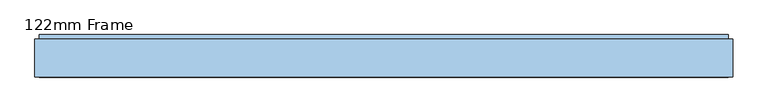
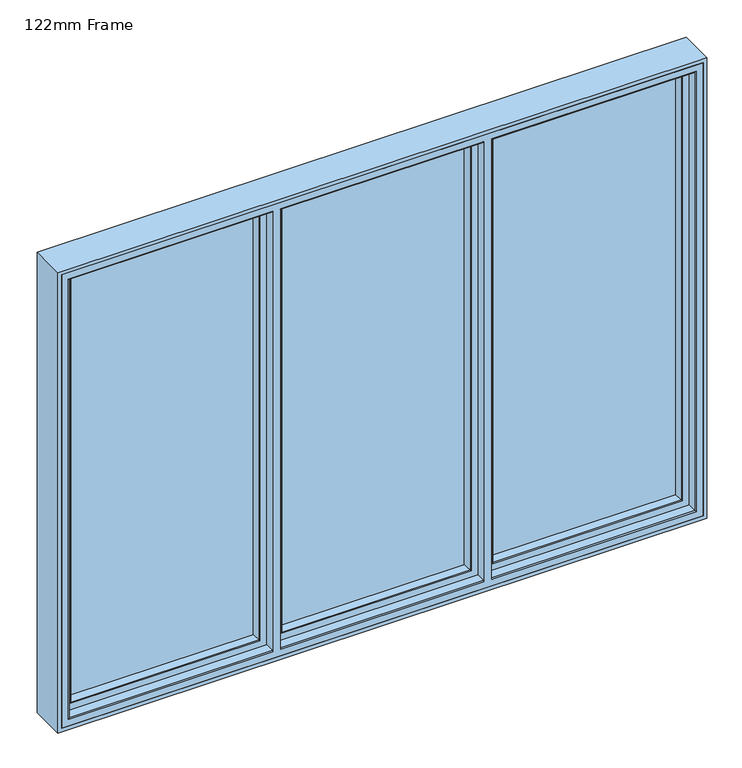
"""IFC4 building model written with IfcOpenShell, lengths in millimetres: window geometry, 122mm Frame."""

import ifcopenshell
import ifcopenshell.guid

model = None  # the IFC model being written
_history = None  # IfcOwnerHistory: only IFC2X3 demands one
_inside = {}  # id of a spatial element -> (the spatial element, [elements in it])
_under = {}  # id of a project, library or spatial element -> (it, [spatial elements below it])
_declared = {}  # id of a project -> (the project, [libraries it declares])
_typed = {}  # id of a type object -> (the type object, [elements of that type])
_made_of = {}  # id of a material, layer set ... -> (it, [elements and type objects made of it])


def new_model(schema):
    """Start an empty IFC model of exactly this schema.

    Asked for "IFC4X3", IfcOpenShell would pick the latest addendum, in which some entities
    have other attributes; the version numbers below select the first issue.
    IFC2X3 requires an IfcOwnerHistory on every rooted entity: one is made here for all.
    """
    global model, _history
    if schema == "IFC4X3":
        model = ifcopenshell.file(schema_version=(4, 3, 0, 0))
    else:
        model = ifcopenshell.file(schema=schema)
    _inside.clear()
    _under.clear()
    _declared.clear()
    _typed.clear()
    _made_of.clear()
    _history = None
    if model.schema == "IFC2X3":
        org = make("IfcOrganization", Name="unknown")
        user = make(
            "IfcPersonAndOrganization",
            ThePerson=make("IfcPerson", FamilyName="unknown"),
            TheOrganization=org,
        )
        app = make(
            "IfcApplication",
            ApplicationDeveloper=org,
            Version="unknown",
            ApplicationFullName="unknown",
            ApplicationIdentifier="unknown",
        )
        _history = make(
            "IfcOwnerHistory",
            OwningUser=user,
            OwningApplication=app,
            ChangeAction="ADDED",
            CreationDate=0,
        )
    return model


def make(cls, **values):
    """One entity of the class cls with the attributes given. An attribute that is None is left unset."""
    return model.create_entity(
        cls, **{name: value for name, value in values.items() if value is not None}
    )


def rooted(cls, **values):
    """An entity with a GlobalId (a new one), such as an element, a storey or a relation."""
    return make(cls, GlobalId=ifcopenshell.guid.new(), OwnerHistory=_history, **values)


def si_unit(unit_type, name, prefix=None):
    """IfcSIUnit, for example si_unit("LENGTHUNIT", "METRE", prefix="MILLI")."""
    return make("IfcSIUnit", UnitType=unit_type, Prefix=prefix, Name=name)


def assignment(units):
    """IfcUnitAssignment: the units of a project."""
    return None if units is None else make("IfcUnitAssignment", Units=units)


def point(xyz):
    """IfcCartesianPoint."""
    return None if xyz is None else make("IfcCartesianPoint", Coordinates=xyz)


def direction(xyz):
    """IfcDirection."""
    return None if xyz is None else make("IfcDirection", DirectionRatios=xyz)


def frame(location, z_axis=None, x_axis=None):
    """IfcAxis2Placement3D, a coordinate frame: its origin and axes. An axis left out is left unset."""
    return make(
        "IfcAxis2Placement3D",
        Location=point(location),
        Axis=direction(z_axis),
        RefDirection=direction(x_axis),
    )


def origin():
    """The frame at (0, 0, 0) with its axes left unset."""
    return frame((0.0, 0.0, 0.0))


def place(relative_to, where):
    """IfcLocalPlacement: puts the frame where relative to a parent placement (None: the world)."""
    return make(
        "IfcLocalPlacement", PlacementRelTo=relative_to, RelativePlacement=where
    )


def context(
    kind, dimensions, precision=None, world=None, true_north=None, identifier=None
):
    """IfcGeometricRepresentationContext, for example the 3D "Model" context."""
    return make(
        "IfcGeometricRepresentationContext",
        ContextIdentifier=identifier,
        ContextType=kind,
        CoordinateSpaceDimension=dimensions,
        Precision=precision,
        WorldCoordinateSystem=world,
        TrueNorth=true_north,
    )


def project(units=None, contexts=None):
    """IfcProject with its units and contexts."""
    return rooted(
        "IfcProject",
        Name="project",
        RepresentationContexts=contexts,
        UnitsInContext=assignment(units),
    )


def spatial(cls, under=None, at=None, **own):
    """A site, building, storey or space (cls), placed at a placement, below another one or the project."""
    s = rooted(cls, ObjectPlacement=at, **own)
    if under is not None:
        _under.setdefault(under.id(), (under, []))[1].append(s)
    return s


def polyline(points):
    """IfcPolyline through the points."""
    return make("IfcPolyline", Points=[point(p) for p in points])


def circle_curve(where, radius):
    """IfcCircle in the frame where."""
    return make("IfcCircle", Position=where, Radius=radius)


def ellipse_curve(where, semi_axis1, semi_axis2):
    """IfcEllipse in the frame where."""
    return make(
        "IfcEllipse", Position=where, SemiAxis1=semi_axis1, SemiAxis2=semi_axis2
    )


def outline(outer, holes=None, kind="AREA"):
    """IfcArbitraryClosedProfileDef: a profile drawn as a closed curve; with holes, ...WithVoids."""
    if holes is None:
        return make("IfcArbitraryClosedProfileDef", ProfileType=kind, OuterCurve=outer)
    return make(
        "IfcArbitraryProfileDefWithVoids",
        ProfileType=kind,
        OuterCurve=outer,
        InnerCurves=holes,
    )


def extrude(swept, where, along, depth):
    """IfcExtrudedAreaSolid: the profile swept, set in the frame where, extruded along a direction by depth."""
    return make(
        "IfcExtrudedAreaSolid",
        SweptArea=swept,
        Position=where,
        ExtrudedDirection=direction(along),
        Depth=depth,
    )


def shape(context_of_items, identifier, shape_type, items):
    """IfcShapeRepresentation: the items that make up one representation, for example the "Body"."""
    return make(
        "IfcShapeRepresentation",
        ContextOfItems=context_of_items,
        RepresentationIdentifier=identifier,
        RepresentationType=shape_type,
        Items=items,
    )


def source(mapping_origin, context_of_items, identifier, shape_type, items):
    """IfcRepresentationMap: a shape defined once, which mapped items show again and again."""
    return make(
        "IfcRepresentationMap",
        MappingOrigin=mapping_origin,
        MappedRepresentation=shape(context_of_items, identifier, shape_type, items),
    )


def transform(
    local_origin,
    x_axis=None,
    y_axis=None,
    z_axis=None,
    scale=None,
    scale2=None,
    scale3=None,
    uniform=True,
):
    """IfcCartesianTransformationOperator3D, or its non-uniform kind. x_axis, y_axis, z_axis: its Axis1, 2, 3."""
    if uniform:
        return make(
            "IfcCartesianTransformationOperator3D",
            Axis1=direction(x_axis),
            Axis2=direction(y_axis),
            LocalOrigin=point(local_origin),
            Scale=scale,
            Axis3=direction(z_axis),
        )
    return make(
        "IfcCartesianTransformationOperator3DnonUniform",
        Axis1=direction(x_axis),
        Axis2=direction(y_axis),
        LocalOrigin=point(local_origin),
        Scale=scale,
        Axis3=direction(z_axis),
        Scale2=scale2,
        Scale3=scale3,
    )


def mapped(mapping_source, mapping_target):
    """IfcMappedItem: shows the shape of a source again, moved by a transform."""
    return make(
        "IfcMappedItem", MappingSource=mapping_source, MappingTarget=mapping_target
    )


def made_of(thing, what):
    """Note that an element or type object is made of a material, layer set ...; save() writes the relation."""
    if what is not None:
        _made_of.setdefault(what.id(), (what, []))[1].append(thing)
    return thing


def element(
    cls,
    number,
    at=None,
    inside=None,
    cuts=None,
    type_object=None,
    material=None,
    context=None,
    identifier="Body",
    shape_type=None,
    held_by="IfcProductDefinitionShape",
    body=None,
    shapes=None,
    **own,
):
    """One element of the class cls, such as IfcWall. Its Tag is "e" and its number.

    at: its placement. inside: the storey or other place that contains it. cuts: it is an
    opening in that element (IfcRelVoidsElement). A single representation is given by context,
    identifier, shape_type and body (its items); several are given by shapes. held_by: the class
    of the entity that holds the representations. save() writes the other relations.
    """
    e = rooted(cls, Tag="e%d" % number, ObjectPlacement=at, **own)
    if body is not None:
        shapes = [shape(context, identifier, shape_type, body)]
    if shapes is not None:
        e.Representation = make(held_by, Representations=shapes)
    if inside is not None:
        _inside.setdefault(inside.id(), (inside, []))[1].append(e)
    if cuts is not None:
        rooted(
            "IfcRelVoidsElement", RelatingBuildingElement=cuts, RelatedOpeningElement=e
        )
    if type_object is not None:
        _typed.setdefault(type_object.id(), (type_object, []))[1].append(e)
    return made_of(e, material)


def aggregate(whole, parts):
    """IfcRelAggregates: a whole, such as a stair, and the parts it consists of."""
    return rooted("IfcRelAggregates", RelatingObject=whole, RelatedObjects=parts)


def save(model, path):
    """Write the relations noted so far, then the file.

    IfcRelAggregates (storeys below a building ...), IfcRelContainedInSpatialStructure (elements
    in a storey), IfcRelDefinesByType, IfcRelAssociatesMaterial and IfcRelDeclares: one each for
    every whole, place, type object, material and project.
    """
    for whole, parts in _under.values():
        aggregate(whole, parts)
    for where, things in _inside.values():
        rooted(
            "IfcRelContainedInSpatialStructure",
            RelatedElements=things,
            RelatingStructure=where,
        )
    for kind, things in _typed.values():
        rooted("IfcRelDefinesByType", RelatedObjects=things, RelatingType=kind)
    for what, things in _made_of.values():
        rooted("IfcRelAssociatesMaterial", RelatedObjects=things, RelatingMaterial=what)
    for by, libraries in _declared.values():
        rooted("IfcRelDeclares", RelatingContext=by, RelatedDefinitions=libraries)
    model.write(path)


def plane_surface(at):
    """IfcPlane: the flat surface through the origin of the frame at, square to its z axis."""
    return make("IfcPlane", Position=at)


def cylinder_surface(at, radius):
    """IfcCylindricalSurface: all points at the distance radius from the z axis of the frame at."""
    return make("IfcCylindricalSurface", Position=at, Radius=radius)


def advanced_brep(points, edges, surfaces, faces):
    """IfcAdvancedBrep: a solid bounded by faces that lie on surfaces and meet in shared edges.

    An edge is (start, end): straight between two places in points (the first is 0);
    or (start, end, curve); or (start, end, curve, False) where it runs against its curve.
    A face is (place in surfaces, loops), or (place, loops, False) where it looks against
    its surface's normal. A loop lists edges by number (the first is 1), with a minus sign
    where the edge is run from its end to its start. The first loop is the outer one.
    """
    corners = [point(p) for p in points]
    vertices = [make("IfcVertexPoint", VertexGeometry=c) for c in corners]
    made = []
    for start, end, *more in edges:
        made.append(
            make(
                "IfcEdgeCurve",
                EdgeStart=vertices[start],
                EdgeEnd=vertices[end],
                EdgeGeometry=more[0] if more else make("IfcPolyline", Points=[corners[start], corners[end]]),
                SameSense=more[1] if len(more) > 1 else True,
            )
        )
    hull = []
    for where, loops, *sense in faces:
        bounds = []
        for j, loop in enumerate(loops):
            ring = [make("IfcOrientedEdge", EdgeElement=made[abs(k) - 1], Orientation=k > 0) for k in loop]
            bounds.append(
                make(
                    "IfcFaceOuterBound" if j == 0 else "IfcFaceBound",
                    Bound=make("IfcEdgeLoop", EdgeList=ring),
                    Orientation=True,
                )
            )
        hull.append(make("IfcAdvancedFace", Bounds=bounds, FaceSurface=surfaces[where], SameSense=sense[0] if sense else True))
    return make("IfcAdvancedBrep", Outer=make("IfcClosedShell", CfsFaces=hull))


def window_122mm_frame_de83305a(model_context):
    return source(origin(), model_context, "Body", "SolidModel", [
        extrude(outline(polyline([(-301.0, 141.0), (301.0, 141.0), (301.0, 93.0), (-301.0, 93.0), (-301.0, 141.0)])), frame((0.0, 0.0, 847.4), z_axis=(0.0, 0.0, 1.0), x_axis=(1.0, 0.0, 0.0)), (0.0, 0.0, 1.0), 1405.2),
        advanced_brep(
        [(290.1078547, 66.2562613, 2240.9078547), (287.0697056, 91.0, 2237.8697056), (287.0697056, 91.0, 862.1302944), (290.1078547, 66.2562613, 859.0921453), (310.7, 91.0, 838.5), (-310.7, 91.0, 838.5), (-310.7, 91.0, 2261.5), (310.7, 91.0, 2261.5), (-287.0697056, 91.0, 2237.8697056), (-287.0697056, 91.0, 862.1302944), (-290.1078547, 66.2562613, 859.0921453), (292.092947, 64.5, 2242.892947), (292.092947, 64.5, 857.107053), (310.7, 82.0, 2261.5), (310.7, 82.0, 838.5), (313.2, 82.0, 836.0), (-313.2, 82.0, 836.0), (-313.2, 82.0, 2264.0), (313.2, 82.0, 2264.0), (-310.7, 82.0, 2261.5), (-310.7, 82.0, 838.5), (313.2, 64.5, 2264.0), (313.2, 64.5, 836.0), (-313.2, 64.5, 2264.0), (-313.2, 64.5, 836.0), (-292.092947, 64.5, 857.107053), (-292.092947, 64.5, 2242.892947), (-290.1078547, 66.2562613, 2240.9078547)],
        [
            (0, 1),
            (1, 2),
            (2, 3),
            (3, 0),
            (4, 5),
            (5, 6),
            (6, 7),
            (7, 4),
            (1, 8),
            (8, 9),
            (9, 2),
            (9, 10),
            (10, 3),
            (11, 0, ellipse_curve(frame((292.092947, 66.5, 2242.892947), z_axis=(0.7071067811865474, 0.0, -0.7071067811865476), x_axis=(0.7071067811865475, 0.0, 0.7071067811865475)), 2.8284271, 2.0)),
            (3, 12, ellipse_curve(frame((292.092947, 66.5, 857.107053), z_axis=(0.7071067811865476, 0.0, 0.7071067811865474), x_axis=(-0.7071067811865472, 0.0, 0.7071067811865478)), 2.8284271, 2.0)),
            (12, 11),
            (7, 13),
            (13, 14),
            (14, 4),
            (15, 16),
            (16, 17),
            (17, 18),
            (18, 15),
            (13, 19),
            (19, 20),
            (20, 14),
            (20, 5),
            (18, 21),
            (21, 22),
            (22, 15),
            (21, 23),
            (23, 24),
            (24, 22),
            (12, 25),
            (25, 26),
            (26, 11),
            (24, 16),
            (10, 25, ellipse_curve(frame((-292.092947, 66.5, 857.107053), z_axis=(0.7071067811865474, 0.0, -0.7071067811865476), x_axis=(0.7071067811865478, 0.0, 0.7071067811865472)), 2.8284271, 2.0)),
            (8, 27),
            (27, 10),
            (19, 6),
            (23, 17),
            (27, 26, ellipse_curve(frame((-292.092947, 66.5, 2242.892947), z_axis=(-0.7071067811865476, 0.0, -0.7071067811865474), x_axis=(0.7071067811865474, 0.0, -0.7071067811865477)), 2.8284271, 2.0)),
            (0, 27),
        ],
        [
            plane_surface(frame((287.0697056, 91.0, 2237.8697056), z_axis=(-0.9925461516413219, -0.12186934340514886, 0.0), x_axis=(0.0, 0.0, -1.0))),
            plane_surface(frame((-310.7, 91.0, 2261.5), z_axis=(0.0, 1.0, 0.0), x_axis=(1.0, 0.0, 0.0))),
            plane_surface(frame((287.0697056, 91.0, 862.1302944), z_axis=(0.0, -0.12186934340514886, 0.9925461516413219), x_axis=(-1.0, 0.0, 0.0))),
            cylinder_surface(frame((292.092947, 66.5, 2237.6), z_axis=(0.0, 0.0, 1.0), x_axis=(0.0, 1.0, 0.0)), 2.0),
            plane_surface(frame((310.7, 82.0, 2261.5), z_axis=(1.0, 0.0, 0.0), x_axis=(0.0, 0.0, -1.0))),
            plane_surface(frame((-313.2, 82.0, 2264.0), z_axis=(0.0, 1.0, 0.0), x_axis=(1.0, 0.0, 0.0))),
            plane_surface(frame((310.7, 82.0, 838.5), z_axis=(0.0, 0.0, -1.0), x_axis=(-1.0, 0.0, 0.0))),
            plane_surface(frame((313.2, 64.5, 2264.0), z_axis=(1.0, 0.0, 0.0), x_axis=(0.0, 0.0, -1.0))),
            plane_surface(frame((-292.092947, 64.5, 2242.892947), z_axis=(0.0, -1.0, 0.0), x_axis=(1.0, 0.0, 0.0))),
            plane_surface(frame((313.2, 64.5, 836.0), z_axis=(0.0, 0.0, -1.0), x_axis=(-1.0, 0.0, 0.0))),
            cylinder_surface(frame((286.8, 66.5, 857.107053), z_axis=(1.0, 0.0, 0.0), x_axis=(0.0, 1.0, 0.0)), 2.0),
            plane_surface(frame((-287.0697056, 91.0, 862.1302944), z_axis=(0.9925461516413219, -0.12186934340514886, 0.0), x_axis=(0.0, 0.0, 1.0))),
            plane_surface(frame((-310.7, 82.0, 838.5), z_axis=(-1.0, 0.0, 0.0), x_axis=(0.0, 0.0, 1.0))),
            plane_surface(frame((-313.2, 64.5, 836.0), z_axis=(-1.0, 0.0, 0.0), x_axis=(0.0, 0.0, 1.0))),
            cylinder_surface(frame((-292.092947, 66.5, 862.4), z_axis=(0.0, 0.0, -1.0), x_axis=(0.0, 1.0, 0.0)), 2.0),
            plane_surface(frame((-287.0697056, 91.0, 2237.8697056), z_axis=(0.0, -0.12186934340514886, -0.9925461516413219), x_axis=(1.0, 0.0, 0.0))),
            plane_surface(frame((-310.7, 82.0, 2261.5), z_axis=(0.0, 0.0, 1.0), x_axis=(1.0, 0.0, 0.0))),
            plane_surface(frame((-313.2, 64.5, 2264.0), z_axis=(0.0, 0.0, 1.0), x_axis=(1.0, 0.0, 0.0))),
            cylinder_surface(frame((-286.8, 66.5, 2242.892947), z_axis=(-1.0, 0.0, 0.0), x_axis=(0.0, 1.0, 0.0)), 2.0),
        ],
        [
            (0, [[1, 2, 3, 4]]),
            (1, [[5, 6, 7, 8], [9, 10, 11, -2]]),
            (2, [[-3, -11, 12, 13]]),
            (3, [[14, -4, 15, 16]]),
            (4, [[17, 18, 19, -8]]),
            (5, [[20, 21, 22, 23], [24, 25, 26, -18]]),
            (6, [[-19, -26, 27, -5]]),
            (7, [[28, 29, 30, -23]]),
            (8, [[31, 32, 33, -29], [34, 35, 36, -16]]),
            (9, [[-30, -33, 37, -20]]),
            (10, [[-15, -13, 38, -34]]),
            (11, [[-12, -10, 39, 40]]),
            (12, [[-27, -25, 41, -6]]),
            (13, [[-37, -32, 42, -21]]),
            (14, [[-38, -40, 43, -35]]),
            (15, [[-39, -9, -1, 44]]),
            (16, [[-41, -24, -17, -7]]),
            (17, [[-42, -31, -28, -22]]),
            (18, [[-43, -44, -14, -36]]),
        ],
    ),
        extrude(outline(polyline([(349.4, 141.0), (952.6, 141.0), (952.6, 93.0), (349.4, 93.0), (349.4, 141.0)])), frame((0.0, 0.0, 847.4), z_axis=(0.0, 0.0, 1.0), x_axis=(1.0, 0.0, 0.0)), (0.0, 0.0, 1.0), 1405.2),
        advanced_brep(
        [(940.9078547, 66.2562613, 2240.9078547), (937.8697056, 91.0, 2237.8697056), (937.8697056, 91.0, 862.1302944), (940.9078547, 66.2562613, 859.0921453), (961.5, 91.0, 838.5), (339.7, 91.0, 838.5), (339.7, 91.0, 2261.5), (961.5, 91.0, 2261.5), (363.3302944, 91.0, 2237.8697056), (363.3302944, 91.0, 862.1302944), (360.2921453, 66.2562613, 859.0921453), (942.892947, 64.5, 2242.892947), (942.892947, 64.5, 857.107053), (961.5, 82.0, 2261.5), (961.5, 82.0, 838.5), (964.0, 82.0, 836.0), (337.2, 82.0, 836.0), (337.2, 82.0, 2264.0), (964.0, 82.0, 2264.0), (339.7, 82.0, 2261.5), (339.7, 82.0, 838.5), (964.0, 64.5, 2264.0), (964.0, 64.5, 836.0), (337.2, 64.5, 2264.0), (337.2, 64.5, 836.0), (358.307053, 64.5, 857.107053), (358.307053, 64.5, 2242.892947), (360.2921453, 66.2562613, 2240.9078547)],
        [
            (0, 1),
            (1, 2),
            (2, 3),
            (3, 0),
            (4, 5),
            (5, 6),
            (6, 7),
            (7, 4),
            (1, 8),
            (8, 9),
            (9, 2),
            (9, 10),
            (10, 3),
            (11, 0, ellipse_curve(frame((942.892947, 66.5, 2242.892947), z_axis=(0.7071067811865475, 0.0, -0.7071067811865476), x_axis=(0.7071067811865476, 0.0, 0.7071067811865475)), 2.8284271, 2.0)),
            (3, 12, ellipse_curve(frame((942.892947, 66.5, 857.107053), z_axis=(0.7071067811865476, 0.0, 0.7071067811865475), x_axis=(-0.7071067811865475, 0.0, 0.7071067811865476)), 2.8284271, 2.0)),
            (12, 11),
            (7, 13),
            (13, 14),
            (14, 4),
            (15, 16),
            (16, 17),
            (17, 18),
            (18, 15),
            (13, 19),
            (19, 20),
            (20, 14),
            (20, 5),
            (18, 21),
            (21, 22),
            (22, 15),
            (21, 23),
            (23, 24),
            (24, 22),
            (12, 25),
            (25, 26),
            (26, 11),
            (24, 16),
            (10, 25, ellipse_curve(frame((358.307053, 66.5, 857.107053), z_axis=(0.7071067811865475, 0.0, -0.7071067811865476), x_axis=(0.7071067811865476, 0.0, 0.7071067811865475)), 2.8284271, 2.0)),
            (8, 27),
            (27, 10),
            (19, 6),
            (23, 17),
            (27, 26, ellipse_curve(frame((358.307053, 66.5, 2242.892947), z_axis=(-0.7071067811865476, 0.0, -0.7071067811865475), x_axis=(0.7071067811865476, 0.0, -0.7071067811865476)), 2.8284271, 2.0)),
            (0, 27),
        ],
        [
            plane_surface(frame((937.8697056, 91.0, 2237.8697056), z_axis=(-0.9925461516413222, -0.12186934340514619, 0.0), x_axis=(0.0, 0.0, -1.0))),
            plane_surface(frame((339.7, 91.0, 2261.5), z_axis=(0.0, 1.0, 0.0), x_axis=(1.0, 0.0, 0.0))),
            plane_surface(frame((937.8697056, 91.0, 862.1302944), z_axis=(0.0, -0.12186934340514619, 0.9925461516413222), x_axis=(-1.0, 0.0, 0.0))),
            cylinder_surface(frame((942.892947, 66.5, 2237.6), z_axis=(0.0, 0.0, 1.0), x_axis=(0.0, 1.0, 0.0)), 2.0),
            plane_surface(frame((961.5, 82.0, 2261.5), z_axis=(1.0, 0.0, 0.0), x_axis=(0.0, 0.0, -1.0))),
            plane_surface(frame((337.2, 82.0, 2264.0), z_axis=(0.0, 1.0, 0.0), x_axis=(1.0, 0.0, 0.0))),
            plane_surface(frame((961.5, 82.0, 838.5), z_axis=(0.0, 0.0, -1.0), x_axis=(-1.0, 0.0, 0.0))),
            plane_surface(frame((964.0, 64.5, 2264.0), z_axis=(1.0, 0.0, 0.0), x_axis=(0.0, 0.0, -1.0))),
            plane_surface(frame((358.307053, 64.5, 2242.892947), z_axis=(0.0, -1.0, 0.0), x_axis=(1.0, 0.0, 0.0))),
            plane_surface(frame((964.0, 64.5, 836.0), z_axis=(0.0, 0.0, -1.0), x_axis=(-1.0, 0.0, 0.0))),
            cylinder_surface(frame((937.6, 66.5, 857.107053), z_axis=(1.0, 0.0, 0.0), x_axis=(0.0, 1.0, 0.0)), 2.0),
            plane_surface(frame((363.3302944, 91.0, 862.1302944), z_axis=(0.9925461516413222, -0.12186934340514619, 0.0), x_axis=(0.0, 0.0, 1.0))),
            plane_surface(frame((339.7, 82.0, 838.5), z_axis=(-1.0, 0.0, 0.0), x_axis=(0.0, 0.0, 1.0))),
            plane_surface(frame((337.2, 64.5, 836.0), z_axis=(-1.0, 0.0, 0.0), x_axis=(0.0, 0.0, 1.0))),
            cylinder_surface(frame((358.307053, 66.5, 862.4), z_axis=(0.0, 0.0, -1.0), x_axis=(0.0, 1.0, 0.0)), 2.0),
            plane_surface(frame((363.3302944, 91.0, 2237.8697056), z_axis=(0.0, -0.12186934340514619, -0.9925461516413222), x_axis=(1.0, 0.0, 0.0))),
            plane_surface(frame((339.7, 82.0, 2261.5), z_axis=(0.0, 0.0, 1.0), x_axis=(1.0, 0.0, 0.0))),
            plane_surface(frame((337.2, 64.5, 2264.0), z_axis=(0.0, 0.0, 1.0), x_axis=(1.0, 0.0, 0.0))),
            cylinder_surface(frame((363.6, 66.5, 2242.892947), z_axis=(-1.0, 0.0, 0.0), x_axis=(0.0, 1.0, 0.0)), 2.0),
        ],
        [
            (0, [[1, 2, 3, 4]]),
            (1, [[5, 6, 7, 8], [9, 10, 11, -2]]),
            (2, [[-3, -11, 12, 13]]),
            (3, [[14, -4, 15, 16]]),
            (4, [[17, 18, 19, -8]]),
            (5, [[20, 21, 22, 23], [24, 25, 26, -18]]),
            (6, [[-19, -26, 27, -5]]),
            (7, [[28, 29, 30, -23]]),
            (8, [[31, 32, 33, -29], [34, 35, 36, -16]]),
            (9, [[-30, -33, 37, -20]]),
            (10, [[-15, -13, 38, -34]]),
            (11, [[-12, -10, 39, 40]]),
            (12, [[-27, -25, 41, -6]]),
            (13, [[-37, -32, 42, -21]]),
            (14, [[-38, -40, 43, -35]]),
            (15, [[-39, -9, -1, 44]]),
            (16, [[-41, -24, -17, -7]]),
            (17, [[-42, -31, -28, -22]]),
            (18, [[-43, -44, -14, -36]]),
        ],
    ),
        advanced_brep(
        [(-964.0, 83.0, 2264.0), (-964.0, 35.0, 2264.0), (-964.0, 35.0, 836.0), (-964.0, 83.0, 836.0), (-967.0, 32.0, 2267.0), (-967.0, 32.0, 833.0), (-337.2, 35.0, 836.0), (-337.2, 83.0, 836.0), (964.0, 35.0, 836.0), (964.0, 83.0, 836.0), (337.2, 83.0, 836.0), (337.2, 35.0, 836.0), (-313.2, 83.0, 836.0), (-313.2, 35.0, 836.0), (313.2, 35.0, 836.0), (313.2, 83.0, 836.0), (-337.2, 83.0, 838.0), (-962.0, 83.0, 838.0), (-962.0, 83.0, 2262.0), (-337.2, 83.0, 2262.0), (-337.2, 83.0, 2264.0), (964.0, 83.0, 2264.0), (337.2, 83.0, 2264.0), (337.2, 83.0, 2262.0), (962.0, 83.0, 2262.0), (962.0, 83.0, 838.0), (337.2, 83.0, 838.0), (-313.2, 83.0, 838.0), (313.2, 83.0, 838.0), (-313.2, 83.0, 2264.0), (-313.2, 83.0, 2262.0), (313.2, 83.0, 2262.0), (313.2, 83.0, 2264.0), (-962.0, 91.0, 2262.0), (-962.0, 91.0, 838.0), (-337.2, 91.0, 838.0), (962.0, 91.0, 838.0), (337.2, 91.0, 838.0), (313.2, 91.0, 838.0), (-313.2, 91.0, 838.0), (-337.2, 91.0, 2262.0), (-955.7805994, 91.0, 844.2194006), (-955.7805994, 91.0, 2255.7805994), (-345.4, 91.0, 2255.7805994), (-345.4, 91.0, 844.2194006), (962.0, 91.0, 2262.0), (337.2, 91.0, 2262.0), (955.7805994, 91.0, 844.2194006), (345.4, 91.0, 844.2194006), (345.4, 91.0, 2255.7805994), (955.7805994, 91.0, 2255.7805994), (-313.2, 91.0, 2262.0), (313.2, 91.0, 2262.0), (-305.0, 91.0, 844.2194006), (-305.0, 91.0, 2255.7805994), (305.0, 91.0, 2255.7805994), (305.0, 91.0, 844.2194006), (-938.0131086, 143.3877115, 2238.0131086), (-938.0131086, 142.0, 2238.0131086), (-938.0131086, 142.0, 861.9868914), (-938.0131086, 143.3877115, 861.9868914), (-962.2226568, 142.0, 2262.2226568), (-962.2226568, 142.0, 837.7773432), (-339.1379874, 142.0, 837.7773432), (-339.1379874, 142.0, 2262.2226568), (-363.6111574, 142.0, 2238.0131086), (-363.6111574, 142.0, 861.9868914), (962.2226568, 142.0, 837.7773432), (962.2226568, 142.0, 2262.2226568), (339.1379874, 142.0, 2262.2226568), (339.1379874, 142.0, 837.7773432), (938.0131086, 142.0, 2238.0131086), (938.0131086, 142.0, 861.9868914), (363.6111574, 142.0, 861.9868914), (363.6111574, 142.0, 2238.0131086), (-311.2620126, 142.0, 2262.2226568), (-311.2620126, 142.0, 837.7773432), (311.2620126, 142.0, 837.7773432), (311.2620126, 142.0, 2262.2226568), (-286.7888426, 142.0, 861.9868914), (-286.7888426, 142.0, 2238.0131086), (286.7888426, 142.0, 2238.0131086), (286.7888426, 142.0, 861.9868914), (-363.1868914, 143.3877115, 861.9868914), (938.0131086, 143.3877115, 861.9868914), (363.1868914, 143.3877115, 861.9868914), (-287.2131086, 143.3877115, 861.9868914), (287.2131086, 143.3877115, 861.9868914), (-941.2576108, 154.0, 858.7423892), (-941.2576108, 154.0, 2241.2576108), (-359.9423892, 154.0, 858.7423892), (941.2576108, 154.0, 858.7423892), (359.9423892, 154.0, 858.7423892), (-290.4576108, 154.0, 858.7423892), (290.4576108, 154.0, 858.7423892), (988.0, 154.0, 812.0), (-988.0, 154.0, 812.0), (-988.0, 154.0, 2288.0), (988.0, 154.0, 2288.0), (-359.9423892, 154.0, 2241.2576108), (290.4576108, 154.0, 2241.2576108), (-290.4576108, 154.0, 2241.2576108), (941.2576108, 154.0, 2241.2576108), (359.9423892, 154.0, 2241.2576108), (-988.0, 90.5, 2288.0), (-988.0, 90.5, 812.0), (988.0, 90.5, 812.0), (337.2, 90.5, 812.0), (337.2, 86.5, 812.0), (988.0, 86.5, 812.0), (988.0, 32.0, 812.0), (-988.0, 32.0, 812.0), (-988.0, 86.5, 812.0), (-337.2, 86.5, 812.0), (-337.2, 90.5, 812.0), (-313.2, 86.5, 812.0), (313.2, 86.5, 812.0), (313.2, 90.5, 812.0), (-313.2, 90.5, 812.0), (-337.2, 90.5, 819.0), (-981.0, 90.5, 819.0), (-981.0, 90.5, 2281.0), (-337.2, 90.5, 2281.0), (-337.2, 90.5, 2288.0), (988.0, 90.5, 2288.0), (337.2, 90.5, 2288.0), (337.2, 90.5, 2281.0), (981.0, 90.5, 2281.0), (981.0, 90.5, 819.0), (337.2, 90.5, 819.0), (-313.2, 90.5, 819.0), (313.2, 90.5, 819.0), (-313.2, 90.5, 2288.0), (-313.2, 90.5, 2281.0), (313.2, 90.5, 2281.0), (313.2, 90.5, 2288.0), (-337.2, 32.0, 833.0), (967.0, 32.0, 833.0), (337.2, 32.0, 833.0), (-313.2, 32.0, 833.0), (313.2, 32.0, 833.0), (-337.2, 86.5, 819.0), (-337.2, 32.0, 2267.0), (-337.2, 35.0, 2264.0), (-337.2, 86.5, 2288.0), (-337.2, 86.5, 2281.0), (964.0, 35.0, 2264.0), (337.2, 86.5, 819.0), (337.2, 32.0, 2267.0), (337.2, 35.0, 2264.0), (337.2, 86.5, 2288.0), (337.2, 86.5, 2281.0), (-313.2, 86.5, 819.0), (-313.2, 32.0, 2267.0), (-313.2, 35.0, 2264.0), (-313.2, 86.5, 2288.0), (-313.2, 86.5, 2281.0), (313.2, 86.5, 819.0), (313.2, 32.0, 2267.0), (313.2, 35.0, 2264.0), (313.2, 86.5, 2288.0), (313.2, 86.5, 2281.0), (-363.1868914, 143.3877115, 2238.0131086), (938.0131086, 143.3877115, 2238.0131086), (363.1868914, 143.3877115, 2238.0131086), (-287.2131086, 143.3877115, 2238.0131086), (287.2131086, 143.3877115, 2238.0131086), (-981.0, 86.5, 2281.0), (-981.0, 86.5, 819.0), (-988.0, 86.5, 2288.0), (981.0, 86.5, 819.0), (981.0, 86.5, 2281.0), (988.0, 86.5, 2288.0), (988.0, 32.0, 2288.0), (-988.0, 32.0, 2288.0), (967.0, 32.0, 2267.0)],
        [
            (0, 1),
            (1, 2),
            (2, 3),
            (3, 0),
            (1, 4, ellipse_curve(frame((-967.0, 35.0, 2267.0), z_axis=(-0.7071067811865475, 0.0, -0.7071067811865475), x_axis=(-0.7071067811865474, 0.0, 0.7071067811865476)), 4.2426407, 3.0)),
            (4, 5),
            (5, 2, ellipse_curve(frame((-967.0, 35.0, 833.0), z_axis=(-0.7071067811865475, 0.0, 0.7071067811865475), x_axis=(0.7071067811865474, 0.0, 0.7071067811865476)), 4.2426407, 3.0)),
            (2, 6),
            (6, 7),
            (7, 3),
            (8, 9),
            (9, 10),
            (10, 11),
            (11, 8),
            (12, 13),
            (13, 14),
            (14, 15),
            (15, 12),
            (7, 16),
            (16, 17),
            (17, 18),
            (18, 19),
            (19, 20),
            (20, 0),
            (9, 21),
            (21, 22),
            (22, 23),
            (23, 24),
            (24, 25),
            (25, 26),
            (26, 10),
            (27, 12),
            (15, 28),
            (28, 27),
            (29, 30),
            (30, 31),
            (31, 32),
            (32, 29),
            (33, 18),
            (17, 34),
            (34, 33),
            (16, 35),
            (35, 34),
            (25, 36),
            (36, 37),
            (37, 26),
            (38, 39),
            (39, 27),
            (28, 38),
            (35, 40),
            (40, 33),
            (41, 42),
            (42, 43),
            (43, 44),
            (44, 41),
            (36, 45),
            (45, 46),
            (46, 37),
            (47, 48),
            (48, 49),
            (49, 50),
            (50, 47),
            (51, 39),
            (38, 52),
            (52, 51),
            (53, 54),
            (54, 55),
            (55, 56),
            (56, 53),
            (57, 58),
            (58, 59),
            (59, 60),
            (60, 57),
            (61, 62),
            (62, 63),
            (63, 64),
            (64, 61),
            (58, 65),
            (65, 66),
            (66, 59),
            (67, 68),
            (68, 69),
            (69, 70),
            (70, 67),
            (71, 72),
            (72, 73),
            (73, 74),
            (74, 71),
            (75, 76),
            (76, 77),
            (77, 78),
            (78, 75),
            (79, 80),
            (80, 81),
            (81, 82),
            (82, 79),
            (66, 83),
            (83, 60),
            (72, 84),
            (84, 85),
            (85, 73),
            (86, 79),
            (82, 87),
            (87, 86),
            (60, 88),
            (88, 89),
            (89, 57),
            (83, 90),
            (90, 88),
            (84, 91),
            (91, 92),
            (92, 85),
            (93, 86),
            (87, 94),
            (94, 93),
            (95, 96),
            (96, 97),
            (97, 98),
            (98, 95),
            (90, 99),
            (99, 89),
            (94, 100),
            (100, 101),
            (101, 93),
            (91, 102),
            (102, 103),
            (103, 92),
            (104, 97),
            (96, 105),
            (105, 104),
            (95, 106),
            (106, 107),
            (107, 108),
            (108, 109),
            (109, 110),
            (110, 111),
            (111, 112),
            (112, 113),
            (113, 114),
            (114, 105),
            (115, 116),
            (116, 117),
            (117, 118),
            (118, 115),
            (114, 119),
            (119, 120),
            (120, 121),
            (121, 122),
            (122, 123),
            (123, 104),
            (106, 124),
            (124, 125),
            (125, 126),
            (126, 127),
            (127, 128),
            (128, 129),
            (129, 107),
            (130, 118),
            (117, 131),
            (131, 130),
            (132, 133),
            (133, 134),
            (134, 135),
            (135, 132),
            (5, 136),
            (136, 6, circle_curve(frame((-337.2, 35.0, 833.0), z_axis=(-1.0, 0.0, 0.0), x_axis=(0.0, 1.0, 0.0)), 3.0)),
            (137, 8, ellipse_curve(frame((967.0, 35.0, 833.0), z_axis=(-0.7071067811865475, 0.0, -0.7071067811865475), x_axis=(-0.7071067811865476, 0.0, 0.7071067811865474)), 4.2426407, 3.0)),
            (11, 138, circle_curve(frame((337.2, 35.0, 833.0), z_axis=(1.0, 0.0, 0.0), x_axis=(0.0, 1.0, 0.0)), 3.0)),
            (138, 137),
            (13, 139, circle_curve(frame((-313.2, 35.0, 833.0), z_axis=(1.0, 0.0, 0.0), x_axis=(0.0, 1.0, 0.0)), 3.0)),
            (139, 140),
            (140, 14, circle_curve(frame((313.2, 35.0, 833.0), z_axis=(-1.0, 0.0, 0.0), x_axis=(0.0, 1.0, 0.0)), 3.0)),
            (113, 141),
            (141, 119),
            (136, 142),
            (142, 143, circle_curve(frame((-337.2, 35.0, 2267.0), z_axis=(1.0, 0.0, 0.0), x_axis=(0.0, 1.0, 0.0)), 3.0)),
            (143, 20),
            (19, 40),
            (144, 123),
            (122, 145),
            (145, 144),
            (8, 146),
            (146, 21),
            (129, 147),
            (147, 108),
            (148, 138),
            (46, 23),
            (22, 149),
            (149, 148, circle_curve(frame((337.2, 35.0, 2267.0), z_axis=(-1.0, 0.0, 0.0), x_axis=(0.0, 1.0, 0.0)), 3.0)),
            (125, 150),
            (150, 151),
            (151, 126),
            (130, 152),
            (152, 115),
            (153, 139),
            (51, 30),
            (29, 154),
            (154, 153, circle_curve(frame((-313.2, 35.0, 2267.0), z_axis=(-1.0, 0.0, 0.0), x_axis=(0.0, 1.0, 0.0)), 3.0)),
            (132, 155),
            (155, 156),
            (156, 133),
            (116, 157),
            (157, 131),
            (140, 158),
            (158, 159, circle_curve(frame((313.2, 35.0, 2267.0), z_axis=(1.0, 0.0, 0.0), x_axis=(0.0, 1.0, 0.0)), 3.0)),
            (159, 32),
            (31, 52),
            (160, 135),
            (134, 161),
            (161, 160),
            (24, 45),
            (65, 162),
            (162, 99),
            (71, 163),
            (163, 84),
            (103, 164),
            (164, 74),
            (101, 165),
            (165, 80),
            (81, 166),
            (166, 100),
            (163, 102),
            (98, 124),
            (152, 157),
            (167, 168),
            (168, 141),
            (112, 169),
            (169, 144),
            (145, 167),
            (170, 171),
            (171, 151),
            (150, 172),
            (172, 109),
            (147, 170),
            (155, 160),
            (161, 156),
            (173, 110),
            (172, 173),
            (173, 174),
            (174, 111),
            (4, 142),
            (175, 137),
            (148, 175),
            (153, 158),
            (174, 169),
            (175, 146, ellipse_curve(frame((967.0, 35.0, 2267.0), z_axis=(0.7071067811865475, 0.0, -0.7071067811865475), x_axis=(-0.7071067811865474, 0.0, -0.7071067811865476)), 4.2426407, 3.0)),
            (67, 47),
            (50, 68),
            (69, 49),
            (48, 70),
            (76, 53),
            (56, 77),
            (62, 41),
            (44, 63),
            (61, 42),
            (43, 64),
            (75, 54),
            (55, 78),
            (167, 121),
            (120, 168),
            (128, 170),
            (127, 171),
            (143, 1),
            (146, 149),
            (159, 154),
            (57, 162),
            (164, 163),
            (165, 166),
        ],
        [
            plane_surface(frame((-964.0, 35.0, 2264.0), z_axis=(1.0, 0.0, 0.0), x_axis=(0.0, 0.0, -1.0))),
            cylinder_surface(frame((-967.0, 35.0, 2288.0), z_axis=(0.0, 0.0, 1.0), x_axis=(0.0, 1.0, 0.0)), 3.0),
            plane_surface(frame((-964.0, 35.0, 836.0), z_axis=(0.0, 0.0, 1.0), x_axis=(1.0, 0.0, 0.0))),
            plane_surface(frame((964.0, 83.0, 2264.0), z_axis=(0.0, -1.0, 0.0), x_axis=(-1.0, 0.0, 0.0))),
            plane_surface(frame((-962.0, 83.0, 2262.0), z_axis=(1.0, 0.0, 0.0), x_axis=(0.0, 0.0, -1.0))),
            plane_surface(frame((-962.0, 83.0, 838.0), z_axis=(0.0, 0.0, 1.0), x_axis=(1.0, 0.0, 0.0))),
            plane_surface(frame((962.0, 91.0, 2262.0), z_axis=(0.0, -1.0, 0.0), x_axis=(-1.0, 0.0, 0.0))),
            plane_surface(frame((-938.0131086, 142.0, 2238.0131086), z_axis=(1.0, 0.0, 0.0), x_axis=(0.0, 0.0, -1.0))),
            plane_surface(frame((962.2226568, 142.0, 2262.2226568), z_axis=(0.0, -1.0, 0.0), x_axis=(-1.0, 0.0, 0.0))),
            plane_surface(frame((-938.0131086, 142.0, 861.9868914), z_axis=(0.0, 0.0, 1.0), x_axis=(1.0, 0.0, 0.0))),
            plane_surface(frame((-938.0131086, 143.3877115, 2238.0131086), z_axis=(0.9563047559629367, 0.29237170472305973, 0.0), x_axis=(0.0, 0.0, -1.0))),
            plane_surface(frame((-938.0131086, 143.3877115, 861.9868914), z_axis=(0.0, 0.29237170472305973, 0.9563047559629367), x_axis=(1.0, 0.0, 0.0))),
            plane_surface(frame((941.2576108, 154.0, 2241.2576108), z_axis=(0.0, 1.0, 0.0), x_axis=(-1.0, 0.0, 0.0))),
            plane_surface(frame((-988.0, 154.0, 2288.0), z_axis=(-1.0, 0.0, 0.0), x_axis=(0.0, 0.0, -1.0))),
            plane_surface(frame((-988.0, 154.0, 812.0), z_axis=(0.0, 0.0, -1.0), x_axis=(1.0, 0.0, 0.0))),
            plane_surface(frame((988.0, 90.5, 2288.0), z_axis=(0.0, -1.0, 0.0), x_axis=(-1.0, 0.0, 0.0))),
            cylinder_surface(frame((-988.0, 35.0, 833.0), z_axis=(-1.0, 0.0, 0.0), x_axis=(0.0, 1.0, 0.0)), 3.0),
            plane_surface(frame((-337.2, 91.0, 2288.0), z_axis=(-1.0, 0.0, 0.0), x_axis=(0.0, 0.0, -1.0))),
            plane_surface(frame((964.0, 35.0, 836.0), z_axis=(-1.0, 0.0, 0.0), x_axis=(0.0, 0.0, 1.0))),
            plane_surface(frame((337.2, 32.0, 2288.0), z_axis=(1.0, 0.0, 0.0), x_axis=(0.0, 0.0, -1.0))),
            plane_surface(frame((-313.2, 32.0, 2288.0), z_axis=(1.0, 0.0, 0.0), x_axis=(0.0, 0.0, -1.0))),
            plane_surface(frame((313.2, 91.0, 2288.0), z_axis=(-1.0, 0.0, 0.0), x_axis=(0.0, 0.0, -1.0))),
            plane_surface(frame((962.0, 83.0, 838.0), z_axis=(-1.0, 0.0, 0.0), x_axis=(0.0, 0.0, 1.0))),
            plane_surface(frame((-359.9423892, 154.0, 2288.0), z_axis=(-0.9563047559631237, 0.2923717047224481, 0.0), x_axis=(0.0, 0.0, -1.0))),
            plane_surface(frame((938.0131086, 142.0, 861.9868914), z_axis=(-1.0, 0.0, 0.0), x_axis=(0.0, 0.0, 1.0))),
            plane_surface(frame((363.6111574, 142.0, 2288.0), z_axis=(0.9563047559630931, 0.2923717047225485, 0.0), x_axis=(0.0, 0.0, -1.0))),
            plane_surface(frame((-286.7888426, 142.0, 2288.0), z_axis=(0.956304755963121, 0.2923717047224568, 0.0), x_axis=(0.0, 0.0, -1.0))),
            plane_surface(frame((290.4576108, 154.0, 2288.0), z_axis=(-0.9563047559630945, 0.2923717047225439, 0.0), x_axis=(0.0, 0.0, -1.0))),
            plane_surface(frame((938.0131086, 143.3877115, 861.9868914), z_axis=(-0.9563047559629367, 0.29237170472305973, 0.0), x_axis=(0.0, 0.0, 1.0))),
            plane_surface(frame((988.0, 154.0, 812.0), z_axis=(1.0, 0.0, 0.0), x_axis=(0.0, 0.0, 1.0))),
            plane_surface(frame((981.0, 86.5, 2281.0), z_axis=(0.0, 1.0, 0.0), x_axis=(-1.0, 0.0, 0.0))),
            plane_surface(frame((988.0, 86.5, 812.0), z_axis=(1.0, 0.0, 0.0), x_axis=(0.0, 0.0, 1.0))),
            plane_surface(frame((988.0, 32.0, 2288.0), z_axis=(0.0, -1.0, 0.0), x_axis=(-1.0, 0.0, 0.0))),
            plane_surface(frame((-988.0, 86.5, 2288.0), z_axis=(-1.0, 0.0, 0.0), x_axis=(0.0, 0.0, -1.0))),
            cylinder_surface(frame((967.0, 35.0, 812.0), z_axis=(0.0, 0.0, -1.0), x_axis=(0.0, 1.0, 0.0)), 3.0),
            plane_surface(frame((955.7805994, 91.0, 844.2194006), z_axis=(-0.9921164934933608, 0.12531904619186296, 0.0), x_axis=(0.0, 0.0, 1.0))),
            plane_surface(frame((345.4, 91.0, 2288.0), z_axis=(0.9925461516413217, 0.12186934340515079, 0.0), x_axis=(0.0, 0.0, -1.0))),
            plane_surface(frame((-955.7805994, 91.0, 844.2194006), z_axis=(0.0, 0.12531904619186296, 0.9921164934933608), x_axis=(1.0, 0.0, 0.0))),
            plane_surface(frame((-955.7805994, 91.0, 2255.7805994), z_axis=(0.9921164934933608, 0.12531904619186296, 0.0), x_axis=(0.0, 0.0, -1.0))),
            plane_surface(frame((-339.1379874, 142.0, 2288.0), z_axis=(-0.9925461516413188, 0.12186934340517415, 0.0), x_axis=(0.0, 0.0, -1.0))),
            plane_surface(frame((-305.0, 91.0, 2288.0), z_axis=(0.9925461516413211, 0.1218693434051556, 0.0), x_axis=(0.0, 0.0, -1.0))),
            plane_surface(frame((311.2620126, 142.0, 2288.0), z_axis=(-0.9925461516413182, 0.1218693434051785, 0.0), x_axis=(0.0, 0.0, -1.0))),
            plane_surface(frame((-981.0, 90.5, 2281.0), z_axis=(-1.0, 0.0, 0.0), x_axis=(0.0, 0.0, -1.0))),
            plane_surface(frame((-981.0, 90.5, 819.0), z_axis=(0.0, 0.0, -1.0), x_axis=(1.0, 0.0, 0.0))),
            plane_surface(frame((981.0, 90.5, 819.0), z_axis=(1.0, 0.0, 0.0), x_axis=(0.0, 0.0, 1.0))),
            plane_surface(frame((964.0, 35.0, 2264.0), z_axis=(0.0, 0.0, -1.0), x_axis=(-1.0, 0.0, 0.0))),
            plane_surface(frame((962.0, 83.0, 2262.0), z_axis=(0.0, 0.0, -1.0), x_axis=(-1.0, 0.0, 0.0))),
            plane_surface(frame((938.0131086, 142.0, 2238.0131086), z_axis=(0.0, 0.0, -1.0), x_axis=(-1.0, 0.0, 0.0))),
            plane_surface(frame((938.0131086, 143.3877115, 2238.0131086), z_axis=(0.0, 0.29237170472305973, -0.9563047559629367), x_axis=(-1.0, 0.0, 0.0))),
            plane_surface(frame((988.0, 154.0, 2288.0), z_axis=(0.0, 0.0, 1.0), x_axis=(-1.0, 0.0, 0.0))),
            cylinder_surface(frame((988.0, 35.0, 2267.0), z_axis=(1.0, 0.0, 0.0), x_axis=(0.0, 1.0, 0.0)), 3.0),
            plane_surface(frame((955.7805994, 91.0, 2255.7805994), z_axis=(0.0, 0.12531904619186296, -0.9921164934933608), x_axis=(-1.0, 0.0, 0.0))),
            plane_surface(frame((981.0, 90.5, 2281.0), z_axis=(0.0, 0.0, 1.0), x_axis=(-1.0, 0.0, 0.0))),
        ],
        [
            (0, [[1, 2, 3, 4]]),
            (1, [[-2, 5, 6, 7]]),
            (2, [[-3, 8, 9, 10]]),
            (2, [[11, 12, 13, 14]]),
            (2, [[15, 16, 17, 18]]),
            (3, [[-4, -10, 19, 20, 21, 22, 23, 24]]),
            (3, [[25, 26, 27, 28, 29, 30, 31, -12]]),
            (3, [[32, -18, 33, 34]]),
            (3, [[35, 36, 37, 38]]),
            (4, [[39, -21, 40, 41]]),
            (5, [[-40, -20, 42, 43]]),
            (5, [[44, 45, 46, -30]]),
            (5, [[47, 48, -34, 49]]),
            (6, [[-41, -43, 50, 51], [52, 53, 54, 55]]),
            (6, [[56, 57, 58, -45], [59, 60, 61, 62]]),
            (6, [[63, -47, 64, 65], [66, 67, 68, 69]]),
            (7, [[70, 71, 72, 73]]),
            (8, [[74, 75, 76, 77], [-71, 78, 79, 80]]),
            (8, [[81, 82, 83, 84], [85, 86, 87, 88]]),
            (8, [[89, 90, 91, 92], [93, 94, 95, 96]]),
            (9, [[-72, -80, 97, 98]]),
            (9, [[99, 100, 101, -86]]),
            (9, [[102, -96, 103, 104]]),
            (10, [[-73, 105, 106, 107]]),
            (11, [[-105, -98, 108, 109]]),
            (11, [[110, 111, 112, -100]]),
            (11, [[113, -104, 114, 115]]),
            (12, [[116, 117, 118, 119], [-106, -109, 120, 121], [-115, 122, 123, 124], [125, 126, 127, -111]]),
            (13, [[128, -117, 129, 130]]),
            (14, [[-129, -116, 131, 132, 133, 134, 135, 136, 137, 138, 139, 140], [141, 142, 143, 144]]),
            (15, [[-130, -140, 145, 146, 147, 148, 149, 150]]),
            (15, [[151, 152, 153, 154, 155, 156, 157, -132]]),
            (15, [[158, -143, 159, 160]]),
            (15, [[161, 162, 163, 164]]),
            (16, [[-7, 165, 166, -8]]),
            (16, [[167, -14, 168, 169]]),
            (16, [[170, 171, 172, -16]]),
            (17, [[-139, 173, 174, -145]]),
            (17, [[175, 176, 177, -23, 178, -50, -42, -19, -9, -166]]),
            (17, [[179, -149, 180, 181]]),
            (18, [[-11, 182, 183, -25]]),
            (19, [[-133, -157, 184, 185]]),
            (19, [[186, -168, -13, -31, -46, -58, 187, -27, 188, 189]]),
            (19, [[190, 191, 192, -153]]),
            (20, [[-144, -158, 193, 194]]),
            (20, [[195, -170, -15, -32, -48, -63, 196, -35, 197, 198]]),
            (20, [[199, 200, 201, -161]]),
            (21, [[-142, 202, 203, -159]]),
            (21, [[204, 205, 206, -37, 207, -64, -49, -33, -17, -172]]),
            (21, [[208, -163, 209, 210]]),
            (22, [[-44, -29, 211, -56]]),
            (23, [[-79, 212, 213, -120, -108, -97]]),
            (24, [[-99, -85, 214, 215]]),
            (25, [[-87, -101, -112, -127, 216, 217]]),
            (26, [[-93, -102, -113, -124, 218, 219]]),
            (27, [[-95, 220, 221, -122, -114, -103]]),
            (28, [[-110, -215, 222, -125]]),
            (29, [[-131, -119, 223, -151]]),
            (30, [[-194, 224, -202, -141]]),
            (30, [[225, 226, -173, -138, 227, 228, -181, 229]]),
            (30, [[230, 231, -191, 232, 233, -134, -185, 234]]),
            (30, [[-200, 235, -210, 236]]),
            (31, [[237, -135, -233, 238]]),
            (32, [[-136, -237, 239, 240], [-6, 241, -175, -165], [242, -169, -186, 243], [244, -204, -171, -195]]),
            (33, [[-240, 245, -227, -137]]),
            (34, [[-182, -167, -242, 246]]),
            (35, [[-81, 247, -62, 248]]),
            (36, [[-83, 249, -60, 250]]),
            (37, [[-90, 251, -69, 252]]),
            (37, [[-247, -84, -250, -59]]),
            (37, [[253, -55, 254, -75]]),
            (38, [[-74, 255, -52, -253]]),
            (39, [[-54, 256, -76, -254]]),
            (40, [[-66, -251, -89, 257]]),
            (41, [[-91, -252, -68, 258]]),
            (42, [[259, -147, 260, -225]]),
            (43, [[-193, -160, -203, -224]]),
            (43, [[-260, -146, -174, -226]]),
            (43, [[261, -234, -184, -156]]),
            (44, [[-261, -155, 262, -230]]),
            (45, [[-1, -24, -177, 263]]),
            (45, [[-183, 264, -188, -26]]),
            (45, [[-197, -38, -206, 265]]),
            (46, [[-39, -51, -178, -22]]),
            (46, [[-196, -65, -207, -36]]),
            (46, [[-57, -211, -28, -187]]),
            (47, [[-70, 266, -212, -78]]),
            (47, [[-214, -88, -217, 267]]),
            (47, [[-219, 268, -220, -94]]),
            (48, [[-107, -121, -213, -266]]),
            (48, [[-222, -267, -216, -126]]),
            (48, [[-218, -123, -221, -268]]),
            (49, [[-118, -128, -150, -179, -228, -245, -239, -238, -232, -190, -152, -223], [-164, -208, -235, -199]]),
            (50, [[-5, -263, -176, -241]]),
            (50, [[-246, -243, -189, -264]]),
            (50, [[-198, -265, -205, -244]]),
            (51, [[-82, -248, -61, -249]]),
            (51, [[-255, -77, -256, -53]]),
            (51, [[-257, -92, -258, -67]]),
            (52, [[-201, -236, -209, -162]]),
            (52, [[-259, -229, -180, -148]]),
            (52, [[-262, -154, -192, -231]]),
        ],
    ),
        extrude(outline(polyline([(2300.0, -1000.0), (800.0, -1000.0), (800.0, 1000.0), (2300.0, 1000.0), (2300.0, -1000.0)]), holes=[polyline([(2288.0, 988.0), (812.0, 988.0), (812.0, -988.0), (2288.0, -988.0), (2288.0, 988.0)])]), frame((0.0, 32.0, 0.0), z_axis=(0.0, 1.0, 0.0), x_axis=(0.0, 0.0, 1.0)), (0.0, 0.0, 1.0), 109.0),
        extrude(outline(polyline([(-952.6, 141.0), (-349.4, 141.0), (-349.4, 93.0), (-952.6, 93.0), (-952.6, 141.0)])), frame((0.0, 0.0, 847.4), z_axis=(0.0, 0.0, 1.0), x_axis=(1.0, 0.0, 0.0)), (0.0, 0.0, 1.0), 1405.2),
        advanced_brep(
        [(-937.8697056, 91.0, 2237.8697056), (-940.9078547, 66.2562613, 2240.9078547), (-940.9078547, 66.2562613, 859.0921453), (-937.8697056, 91.0, 862.1302944), (-942.892947, 64.5, 2242.892947), (-942.892947, 64.5, 857.107053), (-360.2921453, 66.2562613, 859.0921453), (-363.3302944, 91.0, 862.1302944), (-961.5, 91.0, 2261.5), (-339.7, 91.0, 2261.5), (-339.7, 91.0, 838.5), (-961.5, 91.0, 838.5), (-363.3302944, 91.0, 2237.8697056), (-961.5, 82.0, 2261.5), (-961.5, 82.0, 838.5), (-339.7, 82.0, 838.5), (-964.0, 82.0, 2264.0), (-337.2, 82.0, 2264.0), (-337.2, 82.0, 836.0), (-964.0, 82.0, 836.0), (-339.7, 82.0, 2261.5), (-964.0, 64.5, 2264.0), (-964.0, 64.5, 836.0), (-337.2, 64.5, 836.0), (-337.2, 64.5, 2264.0), (-358.307053, 64.5, 2242.892947), (-358.307053, 64.5, 857.107053), (-360.2921453, 66.2562613, 2240.9078547)],
        [
            (0, 1),
            (1, 2),
            (2, 3),
            (3, 0),
            (1, 4, ellipse_curve(frame((-942.892947, 66.5, 2242.892947), z_axis=(-0.7071067811865475, 0.0, -0.7071067811865475), x_axis=(-0.7071067811865474, 0.0, 0.7071067811865476)), 2.8284271, 2.0)),
            (4, 5),
            (5, 2, ellipse_curve(frame((-942.892947, 66.5, 857.107053), z_axis=(-0.7071067811865475, 0.0, 0.7071067811865475), x_axis=(0.7071067811865474, 0.0, 0.7071067811865476)), 2.8284271, 2.0)),
            (2, 6),
            (6, 7),
            (7, 3),
            (8, 9),
            (9, 10),
            (10, 11),
            (11, 8),
            (7, 12),
            (12, 0),
            (13, 8),
            (11, 14),
            (14, 13),
            (10, 15),
            (15, 14),
            (16, 17),
            (17, 18),
            (18, 19),
            (19, 16),
            (15, 20),
            (20, 13),
            (21, 16),
            (19, 22),
            (22, 21),
            (18, 23),
            (23, 22),
            (23, 24),
            (24, 21),
            (4, 25),
            (25, 26),
            (26, 5),
            (26, 6, ellipse_curve(frame((-358.307053, 66.5, 857.107053), z_axis=(-0.7071067811865475, 0.0, -0.7071067811865475), x_axis=(-0.7071067811865476, 0.0, 0.7071067811865474)), 2.8284271, 2.0)),
            (6, 27),
            (27, 12),
            (9, 20),
            (17, 24),
            (25, 27, ellipse_curve(frame((-358.307053, 66.5, 2242.892947), z_axis=(0.7071067811865475, 0.0, -0.7071067811865475), x_axis=(-0.7071067811865474, 0.0, -0.7071067811865476)), 2.8284271, 2.0)),
            (27, 1),
        ],
        [
            plane_surface(frame((-940.9078547, 66.2562613, 2240.9078547), z_axis=(0.9925461516413222, -0.12186934340514631, 0.0), x_axis=(0.0, 0.0, -1.0))),
            cylinder_surface(frame((-942.892947, 66.5, 2237.6), z_axis=(0.0, 0.0, 1.0), x_axis=(0.0, 1.0, 0.0)), 2.0),
            plane_surface(frame((-940.9078547, 66.2562613, 859.0921453), z_axis=(0.0, -0.12186934340514631, 0.9925461516413222), x_axis=(1.0, 0.0, 0.0))),
            plane_surface(frame((-363.3302944, 91.0, 2237.8697056), z_axis=(0.0, 1.0, 0.0), x_axis=(-1.0, 0.0, 0.0))),
            plane_surface(frame((-961.5, 91.0, 2261.5), z_axis=(-1.0, 0.0, 0.0), x_axis=(0.0, 0.0, -1.0))),
            plane_surface(frame((-961.5, 91.0, 838.5), z_axis=(0.0, 0.0, -1.0), x_axis=(1.0, 0.0, 0.0))),
            plane_surface(frame((-339.7, 82.0, 2261.5), z_axis=(0.0, 1.0, 0.0), x_axis=(-1.0, 0.0, 0.0))),
            plane_surface(frame((-964.0, 82.0, 2264.0), z_axis=(-1.0, 0.0, 0.0), x_axis=(0.0, 0.0, -1.0))),
            plane_surface(frame((-964.0, 82.0, 836.0), z_axis=(0.0, 0.0, -1.0), x_axis=(1.0, 0.0, 0.0))),
            plane_surface(frame((-337.2, 64.5, 2264.0), z_axis=(0.0, -1.0, 0.0), x_axis=(-1.0, 0.0, 0.0))),
            cylinder_surface(frame((-937.6, 66.5, 857.107053), z_axis=(-1.0, 0.0, 0.0), x_axis=(0.0, 1.0, 0.0)), 2.0),
            plane_surface(frame((-360.2921453, 66.2562613, 859.0921453), z_axis=(-0.9925461516413222, -0.12186934340514631, 0.0), x_axis=(0.0, 0.0, 1.0))),
            plane_surface(frame((-339.7, 91.0, 838.5), z_axis=(1.0, 0.0, 0.0), x_axis=(0.0, 0.0, 1.0))),
            plane_surface(frame((-337.2, 82.0, 836.0), z_axis=(1.0, 0.0, 0.0), x_axis=(0.0, 0.0, 1.0))),
            cylinder_surface(frame((-358.307053, 66.5, 862.4), z_axis=(0.0, 0.0, -1.0), x_axis=(0.0, 1.0, 0.0)), 2.0),
            plane_surface(frame((-360.2921453, 66.2562613, 2240.9078547), z_axis=(0.0, -0.12186934340514631, -0.9925461516413222), x_axis=(-1.0, 0.0, 0.0))),
            plane_surface(frame((-339.7, 91.0, 2261.5), z_axis=(0.0, 0.0, 1.0), x_axis=(-1.0, 0.0, 0.0))),
            plane_surface(frame((-337.2, 82.0, 2264.0), z_axis=(0.0, 0.0, 1.0), x_axis=(-1.0, 0.0, 0.0))),
            cylinder_surface(frame((-363.6, 66.5, 2242.892947), z_axis=(1.0, 0.0, 0.0), x_axis=(0.0, 1.0, 0.0)), 2.0),
        ],
        [
            (0, [[1, 2, 3, 4]]),
            (1, [[5, 6, 7, -2]]),
            (2, [[-3, 8, 9, 10]]),
            (3, [[11, 12, 13, 14], [-10, 15, 16, -4]]),
            (4, [[17, -14, 18, 19]]),
            (5, [[-18, -13, 20, 21]]),
            (6, [[22, 23, 24, 25], [-21, 26, 27, -19]]),
            (7, [[28, -25, 29, 30]]),
            (8, [[-29, -24, 31, 32]]),
            (9, [[-32, 33, 34, -30], [35, 36, 37, -6]]),
            (10, [[-7, -37, 38, -8]]),
            (11, [[-9, 39, 40, -15]]),
            (12, [[-20, -12, 41, -26]]),
            (13, [[-31, -23, 42, -33]]),
            (14, [[-38, -36, 43, -39]]),
            (15, [[-40, 44, -1, -16]]),
            (16, [[-41, -11, -17, -27]]),
            (17, [[-42, -22, -28, -34]]),
            (18, [[-43, -35, -5, -44]]),
        ],
    ),
    ])


if __name__ == "__main__":
    model = new_model("IFC4")
    model_context = context("Model", 3, world=origin())
    ifc_project = project(units=[si_unit("LENGTHUNIT", "METRE", prefix="MILLI")], contexts=[model_context])
    site = spatial("IfcSite", under=ifc_project)
    building = spatial("IfcBuilding", under=site)
    placement = place(None, origin())
    window_122mm_frame_shape = window_122mm_frame_de83305a(model_context)
    element("IfcWindow", 1, ObjectType="122mm Frame", at=placement, inside=building, context=model_context, shape_type="MappedRepresentation", body=[
        mapped(window_122mm_frame_shape, transform((0.0, 0.0, 0.0), x_axis=(1.0, 0.0, 0.0), y_axis=(0.0, 1.0, 0.0), z_axis=(0.0, 0.0, 1.0))),
    ])
    save(model, "model.ifc")
